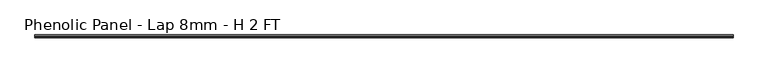
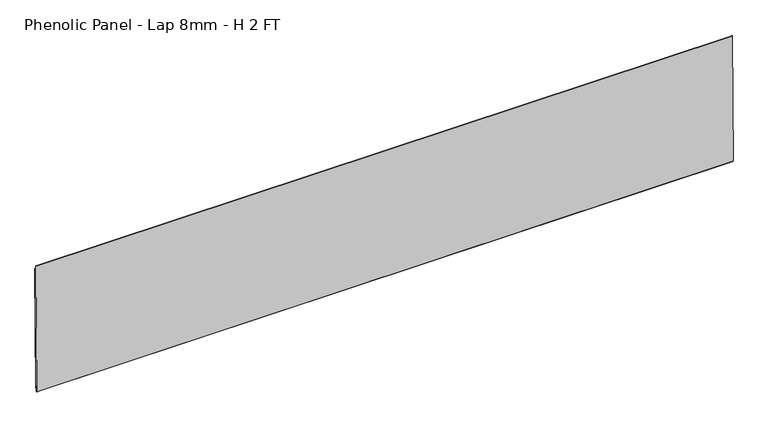
"""IFC4 building model written with IfcOpenShell, lengths in millimetres: proxy geometry, Phenolic Panel - Lap 8mm - H 2 FT."""

from ifc_helpers import new_model, si_unit, frame, origin, place, context, project, spatial, polyline, outline, extrude, source, transform, mapped, element, save


def phenolic_panel_lap_8mm_h_2_ft_e9e3ebfa(model_context):
    return source(origin(), model_context, "Body", "SweptSolid", [
        extrude(outline(polyline([(2.7732555, 593.6735917), (-2.4688477, 47.5987522), (-4.849988, 47.6216102), (-4.7737946, 55.5587445), (-7.3533633, 55.5835073), (-7.5819434, 31.7721044), (-9.5523841, 31.7910199), (-10.5487117, 32.8066615), (-5.0211492, 608.618069), (-4.0055075, 609.6143966), (-2.6240021, 609.6011347), (-2.7763888, 593.7268661), (2.7732555, 593.6735917)])), frame((-1825.625, 0.0, 0.0), z_axis=(1.0, 0.0, 0.0), x_axis=(0.0, 1.0, 0.0)), (0.0, 0.0, 1.0), 3044.825),
    ])


if __name__ == "__main__":
    model = new_model("IFC4")
    model_context = context("Model", 3, world=origin())
    ifc_project = project(units=[si_unit("LENGTHUNIT", "METRE", prefix="MILLI")], contexts=[model_context])
    site = spatial("IfcSite", under=ifc_project)
    building = spatial("IfcBuilding", under=site)
    placement = place(None, origin())
    phenolic_panel_lap_8mm_h_2_ft_shape = phenolic_panel_lap_8mm_h_2_ft_e9e3ebfa(model_context)
    element("IfcBuildingElementProxy", 1, Name="Phenolic Panel - Lap 8mm - H 2 FT", ObjectType="Phenolic Panel - Lap 8mm - H 2 FT", at=placement, inside=building, context=model_context, shape_type="MappedRepresentation", body=[
        mapped(phenolic_panel_lap_8mm_h_2_ft_shape, transform((0.0, 0.0, 0.0), x_axis=(1.0, 0.0, 0.0), y_axis=(0.0, 1.0, 0.0), z_axis=(0.0, 0.0, 1.0))),
    ])
    save(model, "model.ifc")
